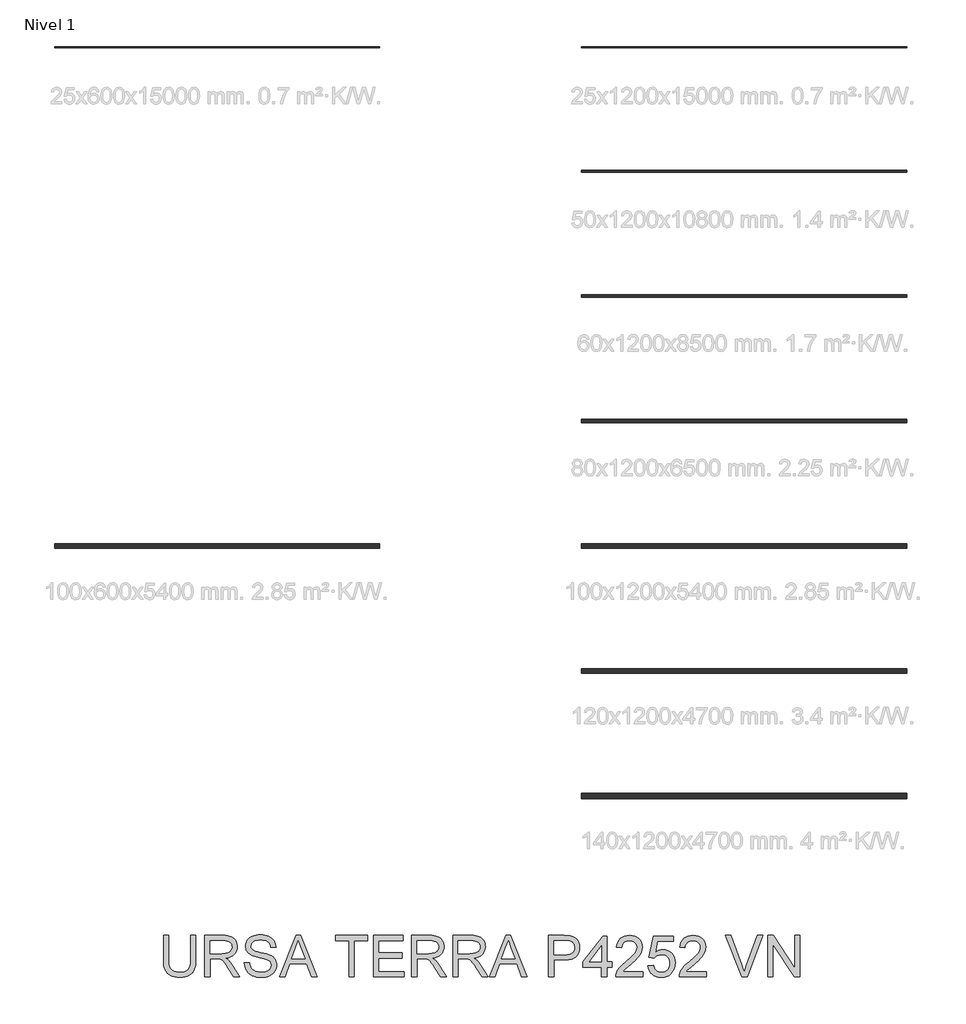
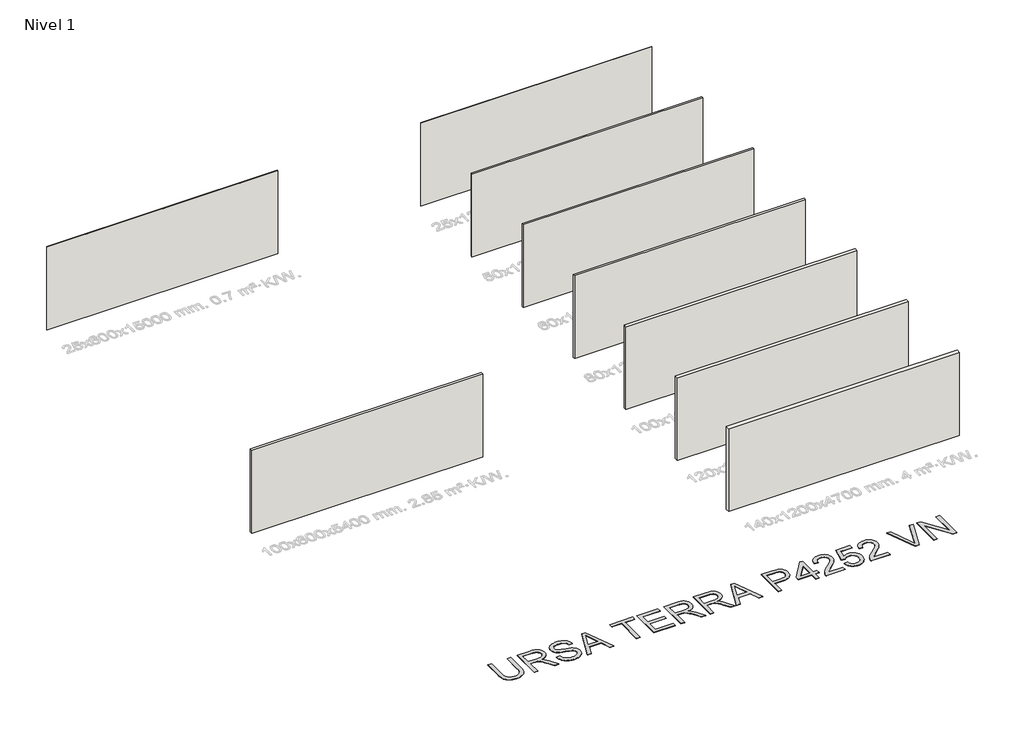
# One storey, part 1 of 10: 9 walls, 1 proxy.
"""IFC4 building model written with IfcOpenShell, lengths in millimetres."""

from ifc_helpers import new_model, si_unit, origin, origin_with_axes, place, context, project, spatial, polyline, outline, extrude, element, save

model = new_model("IFC4")

# Units and contexts
model_context = context("Model", 3, world=origin())
ifc_project = project(units=[si_unit("LENGTHUNIT", "METRE", prefix="MILLI")], contexts=[model_context])

# Site, building, storey
site = spatial("IfcSite", under=ifc_project)
building = spatial("IfcBuilding", under=site)
storey = spatial("IfcBuildingStorey", under=building, Name="Nivel 1", Elevation=0.0)

# Proxy
placement = place(None, origin())
element("IfcBuildingElementProxy", 1, Name="Texto de modelo 2", ObjectType="Texto de modelo 2", at=placement, inside=storey, context=model_context, shape_type="SweptSolid", body=[
    extrude(outline(polyline([(-9725.9458629, -17578.3871054), (-9600.3754753, -17578.3871054), (-9600.3754753, -18157.9238751), (-9602.5061251, -18229.6838568), (-9608.8980748, -18293.6416745), (-9619.5513243, -18349.7973282), (-9634.4658735, -18398.150818), (-9654.9293095, -18440.5338895), (-9682.2292192, -18478.7782886), (-9716.3656027, -18512.8840152), (-9757.3384599, -18542.8510694), (-9805.1937761, -18567.2615726), (-9859.9775365, -18584.6976464), (-9921.6897412, -18595.1592906), (-9990.3303901, -18598.6465054), (-10057.2772491, -18595.6114789), (-10117.8321583, -18586.5063995), (-10171.9951179, -18571.3312672), (-10219.7661278, -18550.086082), (-10261.1528523, -18523.0850764), (-10296.1629555, -18490.6424829), (-10324.7964374, -18452.7583016), (-10347.0532981, -18409.4325325), (-10363.7382795, -18359.1783191), (-10375.6561233, -18300.5088051), (-10382.8068295, -18233.4239904), (-10385.1903983, -18157.9238751), (-10385.1903983, -17578.3871054), (-10259.6200106, -17578.3871054), (-10259.6200106, -18153.5092912), (-10258.0718406, -18214.2174846), (-10253.4273304, -18266.3570932), (-10245.68648, -18309.928117), (-10234.8492896, -18344.930556), (-10220.2413087, -18373.8935989), (-10201.188087, -18399.3464345), (-10177.6896246, -18421.2890626), (-10149.7459214, -18439.7214834), (-10117.893472, -18454.3141359), (-10082.6687709, -18464.7374591), (-10044.0718183, -18470.991453), (-10002.102614, -18473.0761177), (-9932.8948137, -18468.9527736), (-9874.386248, -18456.5827415), (-9826.576917, -18435.9660214), (-9806.6844646, -18422.5651533), (-9789.4668208, -18407.1026132), (-9774.5790963, -18388.7085134), (-9761.6764017, -18366.5129664), (-9741.8261024, -18310.7175305), (-9729.9159228, -18239.7163054), (-9725.9458629, -18153.5092912), (-9725.9458629, -17578.3871054)])), origin_with_axes(), (0.0, 0.0, 1.0), 10.0),
    extrude(outline(polyline([(-9380.6272968, -18582.9502069), (-9380.6272968, -17578.3871054), (-8947.7528158, -17578.3871054), (-8885.6190797, -17580.0808954), (-8831.4101348, -17585.1622655), (-8785.1259813, -17593.6312156), (-8746.7666191, -17605.4877457), (-8714.1017636, -17621.6438967), (-8684.9011303, -17643.0117092), (-8659.164719, -17669.5911834), (-8636.8925299, -17701.3823191), (-8618.9199616, -17736.675998), (-8606.0824128, -17773.7631017), (-8598.3798835, -17812.64363), (-8595.8123738, -17853.3175831), (-8600.0660093, -17904.9130329), (-8612.826916, -17952.2778398), (-8634.0950939, -17995.4120038), (-8663.8705429, -18034.3155248), (-8702.5364734, -18067.7468011), (-8750.4760959, -18094.464231), (-8807.6894104, -18114.4678145), (-8874.1764168, -18127.7575515), (-8832.7896923, -18154.7968782), (-8802.8073097, -18181.4683228), (-8751.3651441, -18242.4754204), (-8701.0266244, -18310.7175305), (-8533.5176892, -18582.9502069), (-8679.444214, -18582.9502069), (-8810.1649496, -18374.7289976), (-8862.4655066, -18295.2664867), (-8904.587995, -18236.8958768), (-8939.6900688, -18196.7047688), (-8970.9293815, -18171.7807636), (-9000.5132253, -18157.1574543), (-9030.6488921, -18147.8684339), (-9103.4895271, -18143.45385), (-9255.0569091, -18143.45385), (-9255.0569091, -18582.9502069), (-9380.6272968, -18582.9502069)]), holes=[polyline([(-9255.0569091, -18017.8834623), (-8973.9950648, -18017.8834623), (-8893.2756237, -18013.4382215), (-8830.643714, -18000.1024992), (-8805.4591258, -17989.8784454), (-8783.493505, -17976.9872472), (-8764.7468516, -17961.4289045), (-8749.2191658, -17943.2034173), (-8737.0407389, -17923.207498), (-8728.3418625, -17902.337859), (-8723.1225367, -17880.5945002), (-8721.3827615, -17857.9774217), (-8724.7013636, -17825.8643892), (-8734.6571701, -17796.7250695), (-8751.2501809, -17770.5594626), (-8774.4803961, -17747.3675685), (-8804.8843101, -17728.3756605), (-8842.9984177, -17714.8100119), (-8888.8227187, -17706.6706228), (-8942.3572132, -17703.9574931), (-9255.0569091, -17703.9574931), (-9255.0569091, -18017.8834623)])]), origin_with_axes(), (0.0, 0.0, 1.0), 10.0),
    extrude(outline(polyline([(-8423.1530907, -18237.6316408), (-8297.582703, -18237.6316408), (-8291.8345468, -18274.1822498), (-8283.1739915, -18307.314622), (-8271.6010371, -18337.0287573), (-8257.1156835, -18363.3246558), (-8238.9821669, -18386.7311477), (-8216.4647231, -18407.7770635), (-8189.5633522, -18426.4624032), (-8158.2780542, -18442.7871667), (-8123.7584603, -18456.0385828), (-8087.1542018, -18465.5038799), (-8048.4652786, -18471.1830582), (-8007.6916908, -18473.0761177), (-7937.7327981, -18467.3432899), (-7906.0183044, -18460.1772552), (-7876.4804459, -18450.1448066), (-7849.8473223, -18437.606162), (-7826.8470333, -18422.921539), (-7807.4795791, -18406.0909377), (-7791.7449596, -18387.1143581), (-7779.5665328, -18366.8118705), (-7770.8676564, -18346.0035452), (-7765.6483306, -18324.6893821), (-7763.9085553, -18302.8693812), (-7769.1202169, -18260.8388633), (-7784.7552017, -18224.5105163), (-7797.9069831, -18208.3926863), (-7816.5156806, -18193.5164582), (-7840.5812945, -18179.8818317), (-7870.1038246, -18167.488807), (-7936.4145542, -18147.7764634), (-8052.9411762, -18119.5415203), (-8172.9626771, -18087.8116982), (-8216.7636272, -18072.5216028), (-8249.7580436, -18057.6147178), (-8283.2889547, -18037.6111343), (-8312.267326, -18015.369602), (-8336.6931576, -17990.8901209), (-8356.5664496, -17964.172691), (-8371.9638439, -17935.4932238), (-8382.9619827, -17905.1276308), (-8389.560866, -17873.0759119), (-8391.7604938, -17839.3380673), (-8389.0396998, -17801.9443953), (-8380.8773181, -17765.7923251), (-8367.2733485, -17730.8818566), (-8348.227791, -17697.2129898), (-8323.9552435, -17666.1576181), (-8294.6703039, -17639.0876346), (-8260.372972, -17616.0030394), (-8221.063248, -17596.9038325), (-8178.0670398, -17581.9356338), (-8132.7102555, -17571.2440633), (-8084.992895, -17564.829121), (-8034.9149585, -17562.6908069), (-7980.2844822, -17564.9287557), (-7928.9649438, -17571.6426022), (-7880.9563435, -17582.8323462), (-7836.2586811, -17598.4979878), (-7795.6996911, -17618.5015713), (-7760.1071081, -17642.7051409), (-7729.480932, -17671.1086966), (-7703.8211628, -17703.7122384), (-7683.32707, -17739.5654045), (-7668.1979229, -17777.7178331), (-7658.4337216, -17818.1695242), (-7654.0344661, -17860.9204777), (-7779.6048538, -17860.9204777), (-7788.004826, -17820.8519971), (-7802.6587922, -17785.995178), (-7823.5667522, -17756.3500206), (-7850.7287062, -17731.9165247), (-7884.6504918, -17712.8173178), (-7925.8379469, -17699.1750271), (-7974.2910713, -17690.9896528), (-8030.0098652, -17688.2611946), (-8087.5067553, -17690.9589959), (-8136.6343301, -17699.0523998), (-8177.3925895, -17712.5414063), (-8209.7815335, -17731.4260154), (-8234.460284, -17754.1274002), (-8252.0879629, -17779.0667338), (-8262.6645703, -17806.2440162), (-8266.1901061, -17835.6592474), (-8263.6915742, -17860.9664629), (-8256.1959785, -17883.9131024), (-8243.7033191, -17904.4991657), (-8226.2135959, -17922.7246529), (-8198.68376, -17939.9844498), (-8155.3349982, -17957.4281878), (-8096.1673106, -17975.0558667), (-8021.1806973, -17992.8674866), (-7882.7344398, -18026.5286892), (-7834.0207323, -18041.7498067), (-7798.9799722, -18055.8979351), (-7760.4826543, -18077.3423898), (-7727.3962673, -18101.4539889), (-7699.7208114, -18128.2327324), (-7677.4562865, -18157.6786205), (-7660.3421095, -18189.6383688), (-7648.1176974, -18223.9586933), (-7640.7830501, -18260.6395939), (-7638.3381677, -18299.6810706), (-7641.1509321, -18338.9601378), (-7649.5892253, -18377.0895738), (-7663.6530474, -18414.0693785), (-7683.3423984, -18449.899552), (-7708.3123888, -18483.1928725), (-7738.2181293, -18512.5621185), (-7773.05962, -18538.0072898), (-7812.8368607, -18559.5283865), (-7856.3925561, -18576.6425635), (-7902.5694107, -18588.8669756), (-7951.3674245, -18596.2016229), (-8002.7865975, -18598.6465054), (-8067.0203267, -18596.0100177), (-8125.8124681, -18588.1005548), (-8179.1630216, -18574.9181167), (-8227.0719873, -18556.4627032), (-8269.830605, -18532.7036577), (-8307.7301147, -18503.6103233), (-8340.7705164, -18469.1826999), (-8368.9518101, -18429.4207876), (-8391.6531949, -18385.6121733), (-8408.2538699, -18339.0444441), (-8418.7538352, -18289.7175999), (-8423.1530907, -18237.6316408)])), origin_with_axes(), (0.0, 0.0, 1.0), 10.0),
    extrude(outline(polyline([(-7566.9690606, -18582.9502069), (-7165.9776858, -17578.3871054), (-7059.0466526, -17578.3871054), (-6658.0552778, -18582.9502069), (-6790.7380508, -18582.9502069), (-6905.7624879, -18269.0242377), (-7319.5071052, -18269.0242377), (-7434.2862877, -18582.9502069), (-7566.9690606, -18582.9502069)]), holes=[polyline([(-7273.3992284, -18143.45385), (-6951.62511, -18143.45385), (-7042.1240808, -17896.4824039), (-7112.5121692, -17703.9574931), (-7175.0521084, -17874.8999935), (-7273.3992284, -18143.45385)])]), origin_with_axes(), (0.0, 0.0, 1.0), 10.0),
    extrude(outline(polyline([(-5880.35274, -18582.9502069), (-5880.35274, -17703.9574931), (-6209.9750077, -17703.9574931), (-6209.9750077, -17578.3871054), (-5425.1600847, -17578.3871054), (-5425.1600847, -17703.9574931), (-5754.7823523, -17703.9574931), (-5754.7823523, -18582.9502069), (-5880.35274, -18582.9502069)])), origin_with_axes(), (0.0, 0.0, 1.0), 10.0),
    extrude(outline(polyline([(-5283.8933985, -18582.9502069), (-5283.8933985, -17578.3871054), (-4561.8636693, -17578.3871054), (-4561.8636693, -17703.9574931), (-5158.3230108, -17703.9574931), (-5158.3230108, -18002.1871638), (-4593.2562662, -18002.1871638), (-4593.2562662, -18127.7575515), (-5158.3230108, -18127.7575515), (-5158.3230108, -18457.3798192), (-4546.1673709, -18457.3798192), (-4546.1673709, -18582.9502069), (-5283.8933985, -18582.9502069)])), origin_with_axes(), (0.0, 0.0, 1.0), 10.0),
    extrude(outline(polyline([(-4357.8117893, -18582.9502069), (-4357.8117893, -17578.3871054), (-3924.9373083, -17578.3871054), (-3862.8035722, -17580.0808954), (-3808.5946274, -17585.1622655), (-3762.3104738, -17593.6312156), (-3723.9511116, -17605.4877457), (-3691.2862561, -17621.6438967), (-3662.0856228, -17643.0117092), (-3636.3492115, -17669.5911834), (-3614.0770224, -17701.3823191), (-3596.1044541, -17736.675998), (-3583.2669053, -17773.7631017), (-3575.564376, -17812.64363), (-3572.9968663, -17853.3175831), (-3577.2505019, -17904.9130329), (-3590.0114086, -17952.2778398), (-3611.2795864, -17995.4120038), (-3641.0550354, -18034.3155248), (-3679.7209659, -18067.7468011), (-3727.6605884, -18094.464231), (-3784.8739029, -18114.4678145), (-3851.3609093, -18127.7575515), (-3809.9741848, -18154.7968782), (-3779.9918022, -18181.4683228), (-3728.5496366, -18242.4754204), (-3678.2111169, -18310.7175305), (-3510.7021818, -18582.9502069), (-3656.6287065, -18582.9502069), (-3787.3494421, -18374.7289976), (-3839.6499991, -18295.2664867), (-3881.7724876, -18236.8958768), (-3916.8745613, -18196.7047688), (-3948.113874, -18171.7807636), (-3977.6977178, -18157.1574543), (-4007.8333846, -18147.8684339), (-4080.6740196, -18143.45385), (-4232.2414016, -18143.45385), (-4232.2414016, -18582.9502069), (-4357.8117893, -18582.9502069)]), holes=[polyline([(-4232.2414016, -18017.8834623), (-3951.1795573, -18017.8834623), (-3870.4601162, -18013.4382215), (-3807.8282065, -18000.1024992), (-3782.6436183, -17989.8784454), (-3760.6779975, -17976.9872472), (-3741.9313442, -17961.4289045), (-3726.4036583, -17943.2034173), (-3714.2252314, -17923.207498), (-3705.526355, -17902.337859), (-3700.3070292, -17880.5945002), (-3698.567254, -17857.9774217), (-3701.8858561, -17825.8643892), (-3711.8416626, -17796.7250695), (-3728.4346735, -17770.5594626), (-3751.6648886, -17747.3675685), (-3782.0688027, -17728.3756605), (-3820.1829102, -17714.8100119), (-3866.0072112, -17706.6706228), (-3919.5417057, -17703.9574931), (-4232.2414016, -17703.9574931), (-4232.2414016, -18017.8834623)])]), origin_with_axes(), (0.0, 0.0, 1.0), 10.0),
    extrude(outline(polyline([(-3353.2486878, -18582.9502069), (-3353.2486878, -17578.3871054), (-2920.3742068, -17578.3871054), (-2858.2404707, -17580.0808954), (-2804.0315259, -17585.1622655), (-2757.7473723, -17593.6312156), (-2719.3880101, -17605.4877457), (-2686.7231547, -17621.6438967), (-2657.5225213, -17643.0117092), (-2631.78611, -17669.5911834), (-2609.5139209, -17701.3823191), (-2591.5413526, -17736.675998), (-2578.7038038, -17773.7631017), (-2571.0012745, -17812.64363), (-2568.4337648, -17853.3175831), (-2572.6874004, -17904.9130329), (-2585.4483071, -17952.2778398), (-2606.7164849, -17995.4120038), (-2636.4919339, -18034.3155248), (-2675.1578644, -18067.7468011), (-2723.0974869, -18094.464231), (-2780.3108014, -18114.4678145), (-2846.7978078, -18127.7575515), (-2805.4110833, -18154.7968782), (-2775.4287007, -18181.4683228), (-2723.9865351, -18242.4754204), (-2673.6480154, -18310.7175305), (-2506.1390803, -18582.9502069), (-2652.065605, -18582.9502069), (-2782.7863406, -18374.7289976), (-2835.0868976, -18295.2664867), (-2877.2093861, -18236.8958768), (-2912.3114598, -18196.7047688), (-2943.5507725, -18171.7807636), (-2973.1346163, -18157.1574543), (-3003.2702831, -18147.8684339), (-3076.1109181, -18143.45385), (-3227.6783001, -18143.45385), (-3227.6783001, -18582.9502069), (-3353.2486878, -18582.9502069)]), holes=[polyline([(-3227.6783001, -18017.8834623), (-2946.6164558, -18017.8834623), (-2865.8970147, -18013.4382215), (-2803.265105, -18000.1024992), (-2778.0805168, -17989.8784454), (-2756.114896, -17976.9872472), (-2737.3682427, -17961.4289045), (-2721.8405568, -17943.2034173), (-2709.6621299, -17923.207498), (-2700.9632535, -17902.337859), (-2695.7439277, -17880.5945002), (-2694.0041525, -17857.9774217), (-2697.3227546, -17825.8643892), (-2707.2785611, -17796.7250695), (-2723.871572, -17770.5594626), (-2747.1017871, -17747.3675685), (-2777.5057012, -17728.3756605), (-2815.6198087, -17714.8100119), (-2861.4441097, -17706.6706228), (-2914.9786042, -17703.9574931), (-3227.6783001, -17703.9574931), (-3227.6783001, -18017.8834623)])]), origin_with_axes(), (0.0, 0.0, 1.0), 10.0),
    extrude(outline(polyline([(-2465.6720608, -18582.9502069), (-2064.6806861, -17578.3871054), (-1957.7496528, -17578.3871054), (-1556.7582781, -18582.9502069), (-1689.441051, -18582.9502069), (-1804.4654881, -18269.0242377), (-2218.2101054, -18269.0242377), (-2332.9892879, -18582.9502069), (-2465.6720608, -18582.9502069)]), holes=[polyline([(-2172.1022287, -18143.45385), (-1850.3281102, -18143.45385), (-1940.827081, -17896.4824039), (-2011.2151694, -17703.9574931), (-2073.7551086, -17874.8999935), (-2172.1022287, -18143.45385)])]), origin_with_axes(), (0.0, 0.0, 1.0), 10.0),
    extrude(outline(polyline([(-1030.1965156, -18582.9502069), (-1030.1965156, -17578.3871054), (-657.8999365, -17578.3871054), (-571.202413, -17580.7783384), (-507.8040825, -17587.9520373), (-472.8629571, -17595.485954), (-440.8802162, -17605.8249709), (-411.8558596, -17618.969088), (-385.7898874, -17634.9183053), (-362.4063881, -17654.0021838), (-341.4294502, -17676.5502844), (-322.8590736, -17702.5626072), (-306.6952584, -17732.039152), (-293.6047908, -17764.0065646), (-284.2544567, -17797.4914904), (-278.6442563, -17832.4939294), (-276.7741895, -17869.0138816), (-281.8249027, -17930.680101), (-296.9770424, -17987.4105704), (-322.2306085, -18039.2052896), (-357.5856011, -18086.0642587), (-379.8213852, -18106.8725841), (-406.1230318, -18124.9064661), (-436.4905409, -18140.1659047), (-470.9239125, -18152.6508999), (-509.4231465, -18162.3614517), (-551.9882429, -18169.2975601), (-649.3160233, -18174.8464469), (-904.6261279, -18174.8464469), (-904.6261279, -18582.9502069), (-1030.1965156, -18582.9502069)]), holes=[polyline([(-904.6261279, -18049.2760592), (-641.9583834, -18049.2760592), (-581.5644225, -18046.3943169), (-530.6127662, -18037.74909), (-489.1034144, -18023.3403786), (-457.0363671, -18003.1681825), (-433.108709, -17977.7689964), (-416.0175247, -17947.6793149), (-405.7628141, -17912.8991379), (-402.3445772, -17873.4284655), (-404.360264, -17844.1205332), (-410.4073242, -17817.0198929), (-420.4857581, -17792.1265446), (-434.5955654, -17769.4404882), (-451.9856539, -17749.6974878), (-471.9049311, -17733.6333074), (-494.353397, -17721.2479469), (-519.3310517, -17712.5414063), (-567.7688477, -17706.1034714), (-644.9014393, -17703.9574931), (-904.6261279, -17703.9574931), (-904.6261279, -18049.2760592)])]), origin_with_axes(), (0.0, 0.0, 1.0), 10.0),
    extrude(outline(polyline([(256.8999582, -18582.9502069), (256.8999582, -18347.50573), (-198.2926972, -18347.50573), (-198.2926972, -18221.9353423), (288.2925551, -17594.0834039), (382.4703459, -17594.0834039), (382.4703459, -18221.9353423), (508.0407335, -18221.9353423), (508.0407335, -18347.50573), (382.4703459, -18347.50573), (382.4703459, -18582.9502069), (256.8999582, -18582.9502069)]), holes=[polyline([(256.8999582, -18221.9353423), (256.8999582, -17833.9424647), (-43.7822592, -18221.9353423), (256.8999582, -18221.9353423)])]), origin_with_axes(), (0.0, 0.0, 1.0), 10.0),
    extrude(outline(polyline([(1261.4630597, -18457.3798192), (1261.4630597, -18582.9502069), (602.2185243, -18582.9502069), (604.9776393, -18538.7430538), (615.7075308, -18496.3753107), (629.3958067, -18462.2925767), (646.6709321, -18428.7156804), (667.5329069, -18395.6446219), (691.9817311, -18363.0794011), (721.4889328, -18329.7477595), (757.5260399, -18294.3774385), (849.1899704, -18217.5207584), (984.693172, -18097.1620323), (1032.1192925, -18048.8008783), (1065.9950929, -18008.3185304), (1089.7081532, -17972.0208402), (1106.6460534, -17936.2136594), (1116.8087935, -17900.8969878), (1120.1963735, -17866.0708256), (1117.0003987, -17833.3063354), (1107.4124742, -17803.1936613), (1091.4326, -17775.7328032), (1069.0607762, -17750.9237611), (1041.5386044, -17730.3760189), (1010.1076865, -17715.6990601), (974.7680223, -17706.8928848), (935.5196119, -17703.9574931), (894.1712085, -17706.823907), (857.1914038, -17715.4231486), (824.5801978, -17729.755218), (796.3375904, -17749.8201151), (773.4905857, -17774.9433897), (757.0661874, -17804.4505914), (747.0643957, -17838.3417202), (743.4852105, -17876.6167762), (617.9148228, -17860.9204777), (628.7136922, -17796.0966045), (648.3570579, -17739.4581056), (676.8449199, -17691.0049812), (714.1772782, -17650.7372311), (759.4957415, -17619.0840511), (811.9419184, -17596.4746368), (871.515809, -17582.9089883), (938.2174132, -17578.3871054), (1005.5168257, -17583.414826), (1065.4126131, -17598.4979878), (1117.9047753, -17623.6365908), (1162.9933123, -17658.830635), (1199.2066962, -17701.4742896), (1225.073399, -17748.9617238), (1240.5934206, -17801.2929376), (1245.7667612, -17858.4679311), (1240.1872176, -17918.5246668), (1223.4485868, -17977.5390702), (1193.7421157, -18037.565149), (1149.2590511, -18100.6569112), (1118.5638972, -18135.6440218), (1078.3497966, -18175.9807497), (969.3647555, -18272.7030576), (824.9097587, -18393.4909794), (793.5784755, -18425.3434288), (768.2559315, -18457.3798192), (1261.4630597, -18457.3798192)])), origin_with_axes(), (0.0, 0.0, 1.0), 10.0),
    extrude(outline(polyline([(1387.0334474, -18316.1131331), (1512.603835, -18300.4168346), (1521.9848259, -18340.7842194), (1535.6577734, -18375.8019868), (1553.6226775, -18405.4701368), (1575.8795382, -18429.7886696), (1602.3823703, -18448.7269281), (1633.0851885, -18462.2542556), (1667.9879928, -18470.3706522), (1707.0907832, -18473.0761177), (1754.9154425, -18469.3129914), (1797.0992446, -18458.0236127), (1833.6421895, -18439.2079815), (1864.5442771, -18412.8660978), (1889.1157287, -18380.300877), (1906.6667655, -18342.8152345), (1917.1973877, -18300.4091704), (1920.707595, -18253.0826846), (1917.4196497, -18208.3543653), (1907.5558137, -18168.592453), (1891.116087, -18133.7969476), (1868.1004697, -18103.9678492), (1838.4323196, -18080.0401911), (1802.0349947, -18062.9490067), (1758.908495, -18052.6942961), (1709.0528205, -18049.2760592), (1648.1376934, -18054.7329755), (1622.025736, -18061.5541208), (1598.8108492, -18071.1037243), (1559.4168189, -18096.1810136), (1528.3001335, -18127.7575515), (1402.7297458, -18112.0612531), (1512.603835, -17594.0834039), (1999.1890873, -17594.0834039), (1999.1890873, -17719.6537915), (1614.1392657, -17719.6537915), (1560.4284944, -17996.3010519), (1604.7429464, -17964.540573), (1650.1303876, -17941.8545166), (1696.5908179, -17928.2428828), (1744.1242373, -17923.7056715), (1805.2769548, -17929.3312004), (1861.447937, -17946.2077869), (1912.6371838, -17974.3354311), (1958.8446952, -18013.714133), (1997.0967585, -18061.9373312), (2024.4196608, -18116.5984643), (2040.8134022, -18177.6975324), (2046.2779827, -18245.2345353), (2041.357561, -18310.2883348), (2026.596296, -18370.804923), (2001.9941875, -18426.7842999), (1967.5512357, -18478.2264656), (1942.5505885, -18506.4499124), (1915.3733061, -18530.910233), (1886.0193886, -18551.6074273), (1854.4888359, -18568.5414954), (1820.7816481, -18581.7124373), (1784.8978251, -18591.1202529), (1746.8373671, -18596.7649422), (1706.6002738, -18598.6465054), (1641.7993932, -18593.81039), (1583.2678349, -18579.3020438), (1531.005599, -18555.1214668), (1485.0126854, -18521.268659), (1446.7452937, -18479.4297463), (1417.6596235, -18431.2908544), (1397.7556747, -18376.8519833), (1387.0334474, -18316.1131331)])), origin_with_axes(), (0.0, 0.0, 1.0), 10.0),
    extrude(outline(polyline([(2799.7003088, -18457.3798192), (2799.7003088, -18582.9502069), (2140.4557735, -18582.9502069), (2143.2148884, -18538.7430538), (2153.94478, -18496.3753107), (2167.6330559, -18462.2925767), (2184.9081812, -18428.7156804), (2205.770156, -18395.6446219), (2230.2189803, -18363.0794011), (2259.726182, -18329.7477595), (2295.7632891, -18294.3774385), (2387.4272196, -18217.5207584), (2522.9304211, -18097.1620323), (2570.3565417, -18048.8008783), (2604.2323421, -18008.3185304), (2627.9454023, -17972.0208402), (2644.8833025, -17936.2136594), (2655.0460426, -17900.8969878), (2658.4336227, -17866.0708256), (2655.2376479, -17833.3063354), (2645.6497234, -17803.1936613), (2629.6698492, -17775.7328032), (2607.2980254, -17750.9237611), (2579.7758536, -17730.3760189), (2548.3449356, -17715.6990601), (2513.0052715, -17706.8928848), (2473.7568611, -17703.9574931), (2432.4084577, -17706.823907), (2395.428653, -17715.4231486), (2362.8174469, -17729.755218), (2334.5748396, -17749.8201151), (2311.7278349, -17774.9433897), (2295.3034366, -17804.4505914), (2285.3016449, -17838.3417202), (2281.7224596, -17876.6167762), (2156.1520719, -17860.9204777), (2166.9509413, -17796.0966045), (2186.594307, -17739.4581056), (2215.082169, -17691.0049812), (2252.4145273, -17650.7372311), (2297.7329906, -17619.0840511), (2350.1791676, -17596.4746368), (2409.7530582, -17582.9089883), (2476.4546624, -17578.3871054), (2543.7540749, -17583.414826), (2603.6498622, -17598.4979878), (2656.1420244, -17623.6365908), (2701.2305615, -17658.830635), (2737.4439454, -17701.4742896), (2763.3106481, -17748.9617238), (2778.8306698, -17801.2929376), (2784.0040104, -17858.4679311), (2778.4244668, -17918.5246668), (2761.685836, -17977.5390702), (2731.9793649, -18037.565149), (2687.4963003, -18100.6569112), (2656.8011463, -18135.6440218), (2616.5870457, -18175.9807497), (2507.6020047, -18272.7030576), (2363.1470079, -18393.4909794), (2331.8157246, -18425.3434288), (2306.4931806, -18457.3798192), (2799.7003088, -18457.3798192)])), origin_with_axes(), (0.0, 0.0, 1.0), 10.0),
    extrude(outline(polyline([(3661.5251962, -18582.9502069), (3261.7600948, -17578.3871054), (3396.1596503, -17578.3871054), (3663.7324882, -18302.1336172), (3693.4696161, -18386.4399078), (3717.9337688, -18465.2279684), (3742.8271171, -18383.6194792), (3771.3992854, -18302.1336172), (4039.7078872, -17578.3871054), (4174.1074428, -17578.3871054), (3791.2649132, -18582.9502069), (3661.5251962, -18582.9502069)])), origin_with_axes(), (0.0, 0.0, 1.0), 10.0),
    extrude(outline(polyline([(4290.8486626, -18582.9502069), (4290.8486626, -17578.3871054), (4425.2482182, -17578.3871054), (4950.093198, -18374.2384883), (4950.093198, -17578.3871054), (5075.6635857, -17578.3871054), (5075.6635857, -18582.9502069), (4941.2640301, -18582.9502069), (4416.4190503, -17786.8535693), (4416.4190503, -18582.9502069), (4290.8486626, -18582.9502069)])), origin_with_axes(), (0.0, 0.0, 1.0), 10.0),
])

# Walls
element("IfcWall", 2, at=placement, inside=storey, context=model_context, shape_type="SweptSolid", body=[
    extrude(outline(polyline([(7668.7582768, 3975.3831431), (-231.2417232, 3975.3831431), (-231.2417232, 4000.3831431), (7668.7582768, 4000.3831431), (7668.7582768, 3975.3831431)])), origin_with_axes(), (0.0, 0.0, 1.0), 3000.0),
])
element("IfcWall", 3, at=placement, inside=storey, context=model_context, shape_type="SweptSolid", body=[
    extrude(outline(polyline([(7668.7582768, 950.3831431), (-231.2417232, 950.3831431), (-231.2417232, 1000.3831431), (7668.7582768, 1000.3831431), (7668.7582768, 950.3831431)])), origin_with_axes(), (0.0, 0.0, 1.0), 3000.0),
])
element("IfcWall", 4, at=placement, inside=storey, context=model_context, shape_type="SweptSolid", body=[
    extrude(outline(polyline([(-5131.2417232, 3975.3831431), (-13031.2417232, 3975.3831431), (-13031.2417232, 4000.3831431), (-5131.2417232, 4000.3831431), (-5131.2417232, 3975.3831431)])), origin_with_axes(), (0.0, 0.0, 1.0), 3000.0),
])
element("IfcWall", 5, at=placement, inside=storey, context=model_context, shape_type="SweptSolid", body=[
    extrude(outline(polyline([(7668.7582768, -2084.6168569), (-231.2417232, -2084.6168569), (-231.2417232, -2024.6168569), (7668.7582768, -2024.6168569), (7668.7582768, -2084.6168569)])), origin_with_axes(), (0.0, 0.0, 1.0), 3000.0),
])
element("IfcWall", 6, at=placement, inside=storey, context=model_context, shape_type="SweptSolid", body=[
    extrude(outline(polyline([(7668.7582768, -5129.6168569), (-231.2417232, -5129.6168569), (-231.2417232, -5049.6168569), (7668.7582768, -5049.6168569), (7668.7582768, -5129.6168569)])), origin_with_axes(), (0.0, 0.0, 1.0), 3000.0),
])
element("IfcWall", 7, at=placement, inside=storey, context=model_context, shape_type="SweptSolid", body=[
    extrude(outline(polyline([(7668.7582768, -8174.6168569), (-231.2417232, -8174.6168569), (-231.2417232, -8074.6168569), (7668.7582768, -8074.6168569), (7668.7582768, -8174.6168569)])), origin_with_axes(), (0.0, 0.0, 1.0), 3000.0),
])
element("IfcWall", 8, at=placement, inside=storey, context=model_context, shape_type="SweptSolid", body=[
    extrude(outline(polyline([(7668.7582768, -11219.6168569), (-231.2417232, -11219.6168569), (-231.2417232, -11099.6168569), (7668.7582768, -11099.6168569), (7668.7582768, -11219.6168569)])), origin_with_axes(), (0.0, 0.0, 1.0), 3000.0),
])
element("IfcWall", 9, at=placement, inside=storey, context=model_context, shape_type="SweptSolid", body=[
    extrude(outline(polyline([(7668.7582768, -14264.6168569), (-231.2417232, -14264.6168569), (-231.2417232, -14124.6168569), (7668.7582768, -14124.6168569), (7668.7582768, -14264.6168569)])), origin_with_axes(), (0.0, 0.0, 1.0), 3000.0),
])
element("IfcWall", 10, at=placement, inside=storey, context=model_context, shape_type="SweptSolid", body=[
    extrude(outline(polyline([(-5131.2417232, -8174.6168569), (-13031.2417232, -8174.6168569), (-13031.2417232, -8074.6168569), (-5131.2417232, -8074.6168569), (-5131.2417232, -8174.6168569)])), origin_with_axes(), (0.0, 0.0, 1.0), 3000.0),
])

save(model, "model.ifc")
